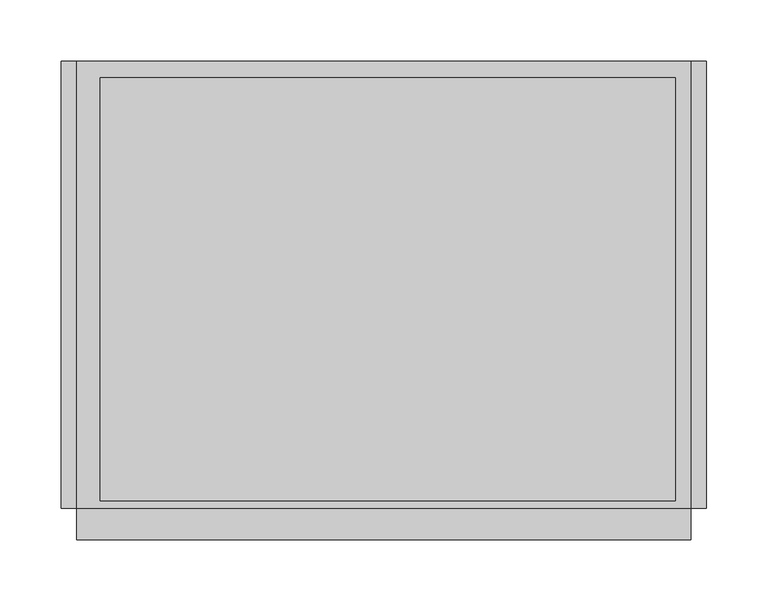
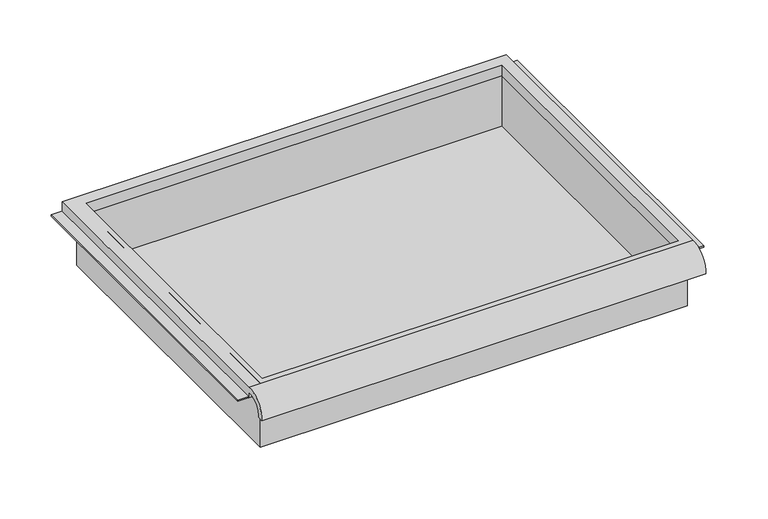
"""IFC4 building model written with IfcOpenShell, lengths in millimetres: furniture geometry."""

from ifc_helpers import new_model, si_unit, frame, origin, place, context, project, spatial, polyline, circle_curve, faceted_brep, source, transform, mapped, element, save
from ifc_brep_helpers import plane_surface, cylinder_surface, revolved_surface, advanced_brep


def furniture_f241fc03(model_context):
    return source(origin(), model_context, "Body", "SolidModel", [
        advanced_brep(
        [(263.7474999, -195.297482, 964.4035672), (263.7474999, -188.9125, 964.4035672), (263.7474999, -169.8625, 982.6650404), (263.7474999, -169.8625, 976.31504), (263.7474999, 195.2625, 976.31504), (263.7474999, 195.2625, 989.0150404), (263.7474999, -169.8625, 989.0150404), (-237.9025001, -195.297482, 964.4035672), (-237.9025001, -169.8625, 989.0150404), (-237.9025001, 195.2625, 989.0150404), (-237.9025001, 195.2625, 976.31504), (-237.9025001, -169.8625, 976.31504), (-237.9025001, -169.8625, 982.6650404), (-237.9025001, -188.9125, 964.4035672), (251.0474878, 181.9275, 976.31504), (-218.8095642, 181.9275, 976.31504), (-218.8095642, -163.5125, 976.31504), (251.0474878, -163.5125, 976.31504), (-218.8095642, 181.9275, 989.0150404), (251.0474878, 181.9275, 989.0150404), (251.0474878, -163.5125, 989.0150404), (-218.8095642, -163.5125, 989.0150404)],
        [
            (0, 1),
            (1, 2, circle_curve(frame((263.7474999, -172.3404634, 966.1829776), z_axis=(-1.0, 0.0, 0.0), x_axis=(0.0, 1.0, 0.0)), 16.6672942)),
            (2, 3),
            (3, 4),
            (4, 5),
            (5, 6),
            (6, 0, circle_curve(frame((263.7474999, -172.4601678, 966.2508676), z_axis=(1.0, 0.0, 0.0), x_axis=(0.0, 1.0, 0.0)), 22.9119061)),
            (7, 8, circle_curve(frame((-237.9025001, -172.4601678, 966.2508676), z_axis=(-1.0, 0.0, 0.0), x_axis=(0.0, 1.0, 0.0)), 22.9119061)),
            (8, 9),
            (9, 10),
            (10, 11),
            (11, 12),
            (12, 13, circle_curve(frame((-237.9025001, -172.3404634, 966.1829776), z_axis=(1.0, 0.0, 0.0), x_axis=(0.0, 1.0, 0.0)), 16.6672942)),
            (13, 7),
            (0, 7),
            (13, 1),
            (12, 2),
            (11, 3),
            (10, 4),
            (14, 15),
            (15, 16),
            (16, 17),
            (17, 14),
            (9, 5),
            (8, 6),
            (18, 19),
            (19, 20),
            (20, 21),
            (21, 18),
            (14, 19),
            (18, 15),
            (21, 16),
            (20, 17),
        ],
        [
            plane_surface(frame((263.7474999, -195.297482, 964.4035672), z_axis=(1.0, 0.0, 0.0), x_axis=(0.0, 1.0, 0.0))),
            plane_surface(frame((-237.9025001, -195.297482, 964.4035672), z_axis=(-1.0, 0.0, 0.0), x_axis=(0.0, -1.0, 0.0))),
            plane_surface(frame((263.7474999, -195.297482, 964.4035672), z_axis=(0.0, 0.0, -1.0), x_axis=(-1.0, 0.0, 0.0))),
            revolved_surface(polyline([(-237.9025001, -155.67316920000002, 966.1829776), (263.7474999, -155.67316920000002, 966.1829776)]), (-237.9025001, -172.3404634, 966.1829776), (-1.0, 0.0, 0.0)),
            plane_surface(frame((263.7474999, -169.8625, 982.6650404), z_axis=(0.0, -1.0, 0.0), x_axis=(-1.0, 0.0, 0.0))),
            plane_surface(frame((263.7474999, -169.8625, 976.31504), z_axis=(0.0, 0.0, -1.0), x_axis=(-1.0, 0.0, 0.0))),
            plane_surface(frame((263.7474999, 195.2625, 976.31504), z_axis=(0.0, 1.0, 0.0), x_axis=(-1.0, 0.0, 0.0))),
            plane_surface(frame((263.7474999, 195.2625, 989.0150404), z_axis=(0.0, 0.0, 1.0), x_axis=(-1.0, 0.0, 0.0))),
            cylinder_surface(frame((-237.9025001, -172.4601678, 966.2508676), z_axis=(1.0, 0.0, 0.0), x_axis=(0.0, 1.0, 0.0)), 22.9119061),
            plane_surface(frame((251.0474878, 181.9275, 989.0150404), z_axis=(0.0, -1.0, 0.0), x_axis=(0.0, 0.0, -1.0))),
            plane_surface(frame((-218.8095642, 181.9275, 989.0150404), z_axis=(1.0, 0.0, 0.0), x_axis=(0.0, 0.0, -1.0))),
            plane_surface(frame((-218.8095642, -163.5125, 989.0150404), z_axis=(0.0, 1.0, 0.0), x_axis=(0.0, 0.0, -1.0))),
            plane_surface(frame((251.0474878, -163.5125, 989.0150404), z_axis=(-1.0, 0.0, 0.0), x_axis=(0.0, 0.0, -1.0))),
        ],
        [
            (0, [[1, 2, 3, 4, 5, 6, 7]]),
            (1, [[8, 9, 10, 11, 12, 13, 14]]),
            (2, [[-1, 15, -14, 16]]),
            (3, [[-2, -16, -13, 17]]),
            (4, [[-3, -17, -12, 18]]),
            (5, [[-4, -18, -11, 19], [20, 21, 22, 23]]),
            (6, [[-5, -19, -10, 24]]),
            (7, [[-6, -24, -9, 25], [26, 27, 28, 29]]),
            (8, [[-7, -25, -8, -15]]),
            (9, [[30, -26, 31, -20]]),
            (10, [[-31, -29, 32, -21]]),
            (11, [[-32, -28, 33, -22]]),
            (12, [[-30, -23, -33, -27]]),
        ],
    ),
        faceted_brep([(-225.2025001, -169.8625, 912.8150404), (257.3974878, -169.8625, 912.8150404), (257.3974878, -169.8625, 989.0150404), (-225.2025001, -169.8625, 989.0150404), (-225.2025001, 188.9125, 912.8150404), (-225.2025001, 188.9125, 989.0150404), (257.3974878, 188.9125, 989.0150404), (257.3974878, 188.9125, 912.8150404), (-218.8095642, 181.9275, 989.0150404), (251.0474878, 181.9275, 989.0150404), (251.0474878, -163.5125, 989.0150404), (-218.8095642, -163.5125, 989.0150404), (251.0474878, 181.9275, 915.9900404), (-218.8095642, 181.9275, 915.9900404), (-218.8095642, -163.5125, 915.9900404), (251.0474878, -163.5125, 915.9900404)], [[[0, 1, 2, 3]], [[4, 5, 6, 7]], [[1, 0, 4, 7]], [[2, 1, 7, 6]], [[3, 2, 6, 5], [8, 9, 10, 11]], [[0, 3, 5, 4]], [[12, 13, 14, 15]], [[13, 12, 9, 8]], [[14, 13, 8, 11]], [[15, 14, 11, 10]], [[12, 15, 10, 9]]]),
        faceted_brep([(-250.6025001, 195.2625, 976.31504), (-250.6025001, 195.2625, 977.90254), (-231.5525001, 195.2625, 977.90254), (-231.5525001, 195.2625, 976.31504), (-250.6025001, -169.8625, 976.31504), (-231.5525001, -169.8625, 976.31504), (-231.5525001, -169.8625, 977.90254), (-250.6025001, -169.8625, 977.90254)], [[[0, 1, 2, 3]], [[4, 5, 6, 7]], [[1, 0, 4, 7]], [[2, 1, 7, 6]], [[3, 2, 6, 5]], [[0, 3, 5, 4]]]),
        faceted_brep([(276.4474999, 195.2625, 976.31504), (263.7474999, 195.2625, 976.31504), (263.7474999, 195.2625, 977.90254), (276.4474999, 195.2625, 977.90254), (276.4474999, -169.8625, 976.31504), (276.4474999, -169.8625, 977.90254), (263.7474999, -169.8625, 977.90254), (263.7474999, -169.8625, 976.31504)], [[[0, 1, 2, 3]], [[4, 5, 6, 7]], [[1, 0, 4, 7]], [[2, 1, 7, 6]], [[3, 2, 6, 5]], [[0, 3, 5, 4]]]),
    ])


if __name__ == "__main__":
    model = new_model("IFC4")
    model_context = context("Model", 3, world=origin())
    ifc_project = project(units=[si_unit("LENGTHUNIT", "METRE", prefix="MILLI")], contexts=[model_context])
    site = spatial("IfcSite", under=ifc_project)
    building = spatial("IfcBuilding", under=site)
    placement = place(None, origin())
    furniture_shape = furniture_f241fc03(model_context)
    element("IfcFurniture", 1, at=placement, inside=building, context=model_context, shape_type="MappedRepresentation", body=[
        mapped(furniture_shape, transform((0.0, 0.0, 0.0), x_axis=(1.0, 0.0, 0.0), y_axis=(0.0, 1.0, 0.0), z_axis=(0.0, 0.0, 1.0))),
    ])
    save(model, "model.ifc")
